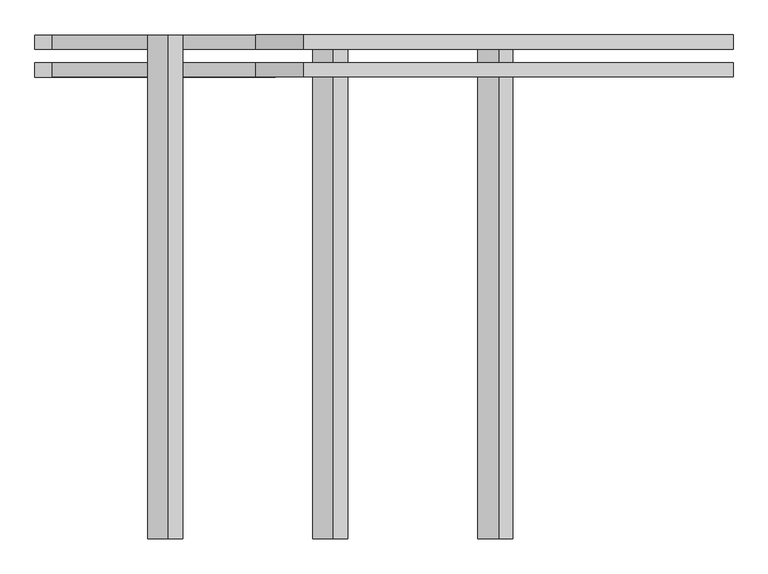
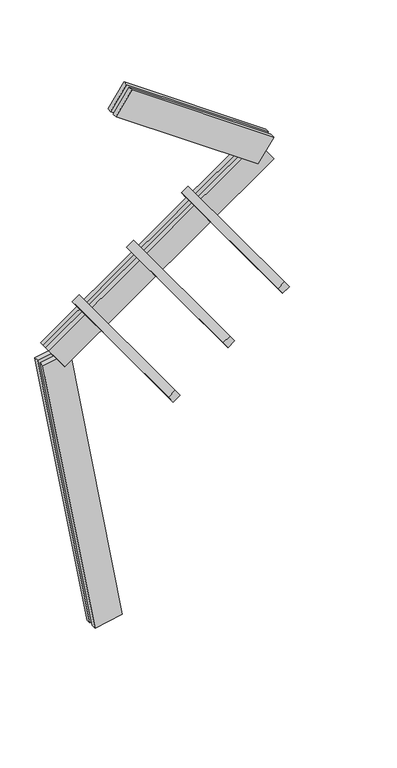
"""IFC4 building model written with IfcOpenShell, lengths in millimetres: proxy geometry."""

from ifc_helpers import new_model, si_unit, frame, origin, place, context, project, spatial, polyline, outline, extrude, source, transform, mapped, element, save


def generic_models_d8a1ec88(model_context):
    return source(origin(), model_context, "Body", "SweptSolid", [
        extrude(outline(polyline([(1500.0, 0.0), (1500.0, -75.0), (0.0, -75.0), (0.0, 0.0), (1500.0, 0.0)])), frame((-151.4499132, 62.5, 3033.8237459), z_axis=(-0.5735764363510457, 0.0, 0.8191520442889921), x_axis=(0.0, -1.0, 0.0)), (0.0, 0.0, 1.0), 75.0),
        extrude(outline(polyline([(1500.0, 0.0), (1500.0, -75.0), (0.0, -75.0), (0.0, 0.0), (1500.0, 0.0)])), frame((340.0413134, 62.5, 3377.9696077), z_axis=(-0.5735764363510457, 0.0, 0.8191520442889921), x_axis=(0.0, -1.0, 0.0)), (0.0, 0.0, 1.0), 75.0),
        extrude(outline(polyline([(1500.0, 0.0), (1500.0, -75.0), (0.0, -75.0), (0.0, 0.0), (1500.0, 0.0)])), frame((831.5325399, 62.5, 3722.1154696), z_axis=(-0.5735764363510457, 0.0, 0.8191520442889921), x_axis=(0.0, -1.0, 0.0)), (0.0, 0.0, 1.0), 75.0),
        extrude(outline(polyline([(1560.0, -125.0), (0.0, -125.0), (0.0, -82.5), (1560.0, -82.5), (1560.0, -125.0)])), frame((1343.5025676, -62.5, 3875.8127312), z_axis=(0.5735764363510478, 0.0, 0.8191520442889907), x_axis=(-0.8191520442889907, 0.0, 0.5735764363510478)), (0.0, 0.0, 1.0), 250.0),
        extrude(outline(polyline([(0.0, 0.0), (1560.0, 0.0), (1560.0, -42.5), (0.0, -42.5), (0.0, 0.0)])), frame((1343.5025676, -62.5, 3875.8127312), z_axis=(0.5735764363510478, 0.0, 0.8191520442889907), x_axis=(-0.8191520442889907, 0.0, 0.5735764363510478)), (0.0, 0.0, 1.0), 250.0),
        extrude(outline(polyline([(2300.0, -125.0), (0.0, -125.0), (0.0, -82.5), (2300.0, -82.5), (2300.0, -125.0)])), frame((1486.8966767, -62.5, 3875.8127312), z_axis=(-0.5735764363510457, 0.0, 0.8191520442889921), x_axis=(-0.8191520442889921, 0.0, -0.5735764363510457)), (0.0, 0.0, 1.0), 250.0),
        extrude(outline(polyline([(0.0, 0.0), (2300.0, 0.0), (2300.0, -42.5), (0.0, -42.5), (0.0, 0.0)])), frame((1486.8966767, -62.5, 3875.8127312), z_axis=(-0.5735764363510457, 0.0, 0.8191520442889921), x_axis=(-0.8191520442889921, 0.0, -0.5735764363510457)), (0.0, 0.0, 1.0), 250.0),
        extrude(outline(polyline([(-125.0, -249.9999999), (-125.0, 0.0), (-82.5, 0.0), (-82.5, -249.9999999), (-125.0, -249.9999999)])), frame((123.1009691, -62.5, 21.7060222), z_axis=(-0.17364817766693158, 0.0, 0.9848077530122079), x_axis=(0.0, -1.0, 0.0)), (0.0, 0.0, 1.0), 2700.0),
        extrude(outline(polyline([(0.0, 0.0), (0.0, -249.9999999), (-42.5, -249.9999999), (-42.5, 0.0), (0.0, 0.0)])), frame((123.1009691, -62.5, 21.7060222), z_axis=(-0.17364817766693158, 0.0, 0.9848077530122079), x_axis=(0.0, -1.0, 0.0)), (0.0, 0.0, 1.0), 2700.0),
    ])


if __name__ == "__main__":
    model = new_model("IFC4")
    model_context = context("Model", 3, world=origin())
    ifc_project = project(units=[si_unit("LENGTHUNIT", "METRE", prefix="MILLI")], contexts=[model_context])
    site = spatial("IfcSite", under=ifc_project)
    building = spatial("IfcBuilding", under=site)
    placement = place(None, origin())
    generic_models_shape = generic_models_d8a1ec88(model_context)
    element("IfcBuildingElementProxy", 1, Name="Generic Models", at=placement, inside=building, context=model_context, shape_type="MappedRepresentation", body=[
        mapped(generic_models_shape, transform((0.0, 0.0, 0.0), x_axis=(1.0, 0.0, 0.0), y_axis=(0.0, 1.0, 0.0), z_axis=(0.0, 0.0, 1.0))),
    ])
    save(model, "model.ifc")
